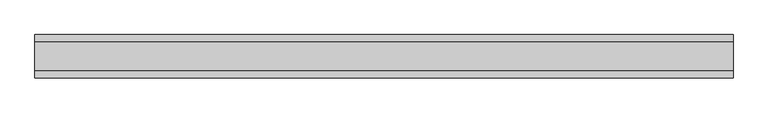
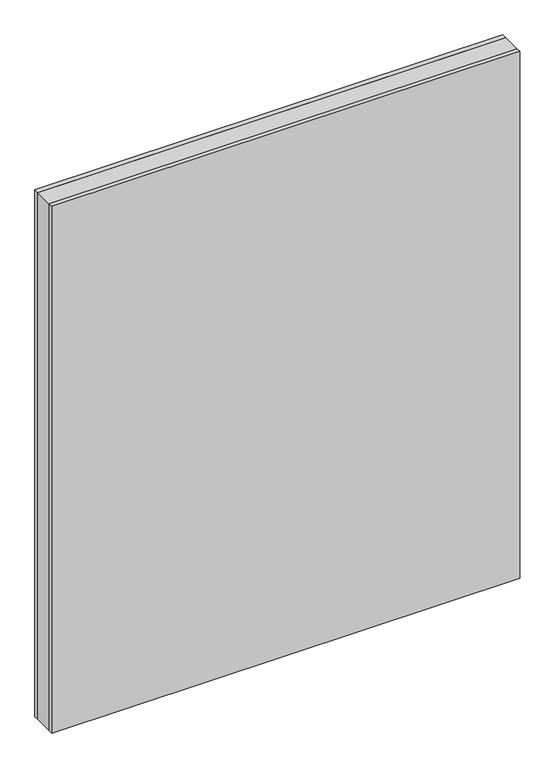
"""IFC4 building model written with IfcOpenShell, lengths in millimetres: plate geometry."""

import ifcopenshell
import ifcopenshell.guid

model = None  # the IFC model being written
_history = None  # IfcOwnerHistory: only IFC2X3 demands one
_inside = {}  # id of a spatial element -> (the spatial element, [elements in it])
_under = {}  # id of a project, library or spatial element -> (it, [spatial elements below it])
_declared = {}  # id of a project -> (the project, [libraries it declares])
_typed = {}  # id of a type object -> (the type object, [elements of that type])
_made_of = {}  # id of a material, layer set ... -> (it, [elements and type objects made of it])


def new_model(schema):
    """Start an empty IFC model of exactly this schema.

    Asked for "IFC4X3", IfcOpenShell would pick the latest addendum, in which some entities
    have other attributes; the version numbers below select the first issue.
    IFC2X3 requires an IfcOwnerHistory on every rooted entity: one is made here for all.
    """
    global model, _history
    if schema == "IFC4X3":
        model = ifcopenshell.file(schema_version=(4, 3, 0, 0))
    else:
        model = ifcopenshell.file(schema=schema)
    _inside.clear()
    _under.clear()
    _declared.clear()
    _typed.clear()
    _made_of.clear()
    _history = None
    if model.schema == "IFC2X3":
        org = make("IfcOrganization", Name="unknown")
        user = make(
            "IfcPersonAndOrganization",
            ThePerson=make("IfcPerson", FamilyName="unknown"),
            TheOrganization=org,
        )
        app = make(
            "IfcApplication",
            ApplicationDeveloper=org,
            Version="unknown",
            ApplicationFullName="unknown",
            ApplicationIdentifier="unknown",
        )
        _history = make(
            "IfcOwnerHistory",
            OwningUser=user,
            OwningApplication=app,
            ChangeAction="ADDED",
            CreationDate=0,
        )
    return model


def make(cls, **values):
    """One entity of the class cls with the attributes given. An attribute that is None is left unset."""
    return model.create_entity(
        cls, **{name: value for name, value in values.items() if value is not None}
    )


def rooted(cls, **values):
    """An entity with a GlobalId (a new one), such as an element, a storey or a relation."""
    return make(cls, GlobalId=ifcopenshell.guid.new(), OwnerHistory=_history, **values)


def si_unit(unit_type, name, prefix=None):
    """IfcSIUnit, for example si_unit("LENGTHUNIT", "METRE", prefix="MILLI")."""
    return make("IfcSIUnit", UnitType=unit_type, Prefix=prefix, Name=name)


def assignment(units):
    """IfcUnitAssignment: the units of a project."""
    return None if units is None else make("IfcUnitAssignment", Units=units)


def point(xyz):
    """IfcCartesianPoint."""
    return None if xyz is None else make("IfcCartesianPoint", Coordinates=xyz)


def direction(xyz):
    """IfcDirection."""
    return None if xyz is None else make("IfcDirection", DirectionRatios=xyz)


def frame(location, z_axis=None, x_axis=None):
    """IfcAxis2Placement3D, a coordinate frame: its origin and axes. An axis left out is left unset."""
    return make(
        "IfcAxis2Placement3D",
        Location=point(location),
        Axis=direction(z_axis),
        RefDirection=direction(x_axis),
    )


def origin():
    """The frame at (0, 0, 0) with its axes left unset."""
    return frame((0.0, 0.0, 0.0))


def origin_with_axes():
    """The frame at (0, 0, 0) with the z axis (0, 0, 1) and the x axis (1, 0, 0) written out."""
    return frame((0.0, 0.0, 0.0), z_axis=(0.0, 0.0, 1.0), x_axis=(1.0, 0.0, 0.0))


def place(relative_to, where):
    """IfcLocalPlacement: puts the frame where relative to a parent placement (None: the world)."""
    return make(
        "IfcLocalPlacement", PlacementRelTo=relative_to, RelativePlacement=where
    )


def context(
    kind, dimensions, precision=None, world=None, true_north=None, identifier=None
):
    """IfcGeometricRepresentationContext, for example the 3D "Model" context."""
    return make(
        "IfcGeometricRepresentationContext",
        ContextIdentifier=identifier,
        ContextType=kind,
        CoordinateSpaceDimension=dimensions,
        Precision=precision,
        WorldCoordinateSystem=world,
        TrueNorth=true_north,
    )


def project(units=None, contexts=None):
    """IfcProject with its units and contexts."""
    return rooted(
        "IfcProject",
        Name="project",
        RepresentationContexts=contexts,
        UnitsInContext=assignment(units),
    )


def spatial(cls, under=None, at=None, **own):
    """A site, building, storey or space (cls), placed at a placement, below another one or the project."""
    s = rooted(cls, ObjectPlacement=at, **own)
    if under is not None:
        _under.setdefault(under.id(), (under, []))[1].append(s)
    return s


def polyline(points):
    """IfcPolyline through the points."""
    return make("IfcPolyline", Points=[point(p) for p in points])


def outline(outer, holes=None, kind="AREA"):
    """IfcArbitraryClosedProfileDef: a profile drawn as a closed curve; with holes, ...WithVoids."""
    if holes is None:
        return make("IfcArbitraryClosedProfileDef", ProfileType=kind, OuterCurve=outer)
    return make(
        "IfcArbitraryProfileDefWithVoids",
        ProfileType=kind,
        OuterCurve=outer,
        InnerCurves=holes,
    )


def extrude(swept, where, along, depth):
    """IfcExtrudedAreaSolid: the profile swept, set in the frame where, extruded along a direction by depth."""
    return make(
        "IfcExtrudedAreaSolid",
        SweptArea=swept,
        Position=where,
        ExtrudedDirection=direction(along),
        Depth=depth,
    )


def shape(context_of_items, identifier, shape_type, items):
    """IfcShapeRepresentation: the items that make up one representation, for example the "Body"."""
    return make(
        "IfcShapeRepresentation",
        ContextOfItems=context_of_items,
        RepresentationIdentifier=identifier,
        RepresentationType=shape_type,
        Items=items,
    )


def source(mapping_origin, context_of_items, identifier, shape_type, items):
    """IfcRepresentationMap: a shape defined once, which mapped items show again and again."""
    return make(
        "IfcRepresentationMap",
        MappingOrigin=mapping_origin,
        MappedRepresentation=shape(context_of_items, identifier, shape_type, items),
    )


def transform(
    local_origin,
    x_axis=None,
    y_axis=None,
    z_axis=None,
    scale=None,
    scale2=None,
    scale3=None,
    uniform=True,
):
    """IfcCartesianTransformationOperator3D, or its non-uniform kind. x_axis, y_axis, z_axis: its Axis1, 2, 3."""
    if uniform:
        return make(
            "IfcCartesianTransformationOperator3D",
            Axis1=direction(x_axis),
            Axis2=direction(y_axis),
            LocalOrigin=point(local_origin),
            Scale=scale,
            Axis3=direction(z_axis),
        )
    return make(
        "IfcCartesianTransformationOperator3DnonUniform",
        Axis1=direction(x_axis),
        Axis2=direction(y_axis),
        LocalOrigin=point(local_origin),
        Scale=scale,
        Axis3=direction(z_axis),
        Scale2=scale2,
        Scale3=scale3,
    )


def mapped(mapping_source, mapping_target):
    """IfcMappedItem: shows the shape of a source again, moved by a transform."""
    return make(
        "IfcMappedItem", MappingSource=mapping_source, MappingTarget=mapping_target
    )


def made_of(thing, what):
    """Note that an element or type object is made of a material, layer set ...; save() writes the relation."""
    if what is not None:
        _made_of.setdefault(what.id(), (what, []))[1].append(thing)
    return thing


def element(
    cls,
    number,
    at=None,
    inside=None,
    cuts=None,
    type_object=None,
    material=None,
    context=None,
    identifier="Body",
    shape_type=None,
    held_by="IfcProductDefinitionShape",
    body=None,
    shapes=None,
    **own,
):
    """One element of the class cls, such as IfcWall. Its Tag is "e" and its number.

    at: its placement. inside: the storey or other place that contains it. cuts: it is an
    opening in that element (IfcRelVoidsElement). A single representation is given by context,
    identifier, shape_type and body (its items); several are given by shapes. held_by: the class
    of the entity that holds the representations. save() writes the other relations.
    """
    e = rooted(cls, Tag="e%d" % number, ObjectPlacement=at, **own)
    if body is not None:
        shapes = [shape(context, identifier, shape_type, body)]
    if shapes is not None:
        e.Representation = make(held_by, Representations=shapes)
    if inside is not None:
        _inside.setdefault(inside.id(), (inside, []))[1].append(e)
    if cuts is not None:
        rooted(
            "IfcRelVoidsElement", RelatingBuildingElement=cuts, RelatedOpeningElement=e
        )
    if type_object is not None:
        _typed.setdefault(type_object.id(), (type_object, []))[1].append(e)
    return made_of(e, material)


def aggregate(whole, parts):
    """IfcRelAggregates: a whole, such as a stair, and the parts it consists of."""
    return rooted("IfcRelAggregates", RelatingObject=whole, RelatedObjects=parts)


def save(model, path):
    """Write the relations noted so far, then the file.

    IfcRelAggregates (storeys below a building ...), IfcRelContainedInSpatialStructure (elements
    in a storey), IfcRelDefinesByType, IfcRelAssociatesMaterial and IfcRelDeclares: one each for
    every whole, place, type object, material and project.
    """
    for whole, parts in _under.values():
        aggregate(whole, parts)
    for where, things in _inside.values():
        rooted(
            "IfcRelContainedInSpatialStructure",
            RelatedElements=things,
            RelatingStructure=where,
        )
    for kind, things in _typed.values():
        rooted("IfcRelDefinesByType", RelatedObjects=things, RelatingType=kind)
    for what, things in _made_of.values():
        rooted("IfcRelAssociatesMaterial", RelatedObjects=things, RelatingMaterial=what)
    for by, libraries in _declared.values():
        rooted("IfcRelDeclares", RelatingContext=by, RelatedDefinitions=libraries)
    model.write(path)


def plate_5aba0ece(model_context):
    return source(origin(), model_context, "Body", "SweptSolid", [
        extrude(outline(polyline([(602.1875001, 24.2), (602.1875001, -24.2), (-602.1875001, -24.2), (-602.1875001, 24.2), (602.1875001, 24.2)])), origin_with_axes(), (0.0, 0.0, 1.0), 1432.75),
        extrude(outline(polyline([(602.1875001, 37.2), (602.1875001, 24.2), (-602.1875001, 24.2), (-602.1875001, 37.2), (602.1875001, 37.2)])), origin_with_axes(), (0.0, 0.0, 1.0), 1432.75),
        extrude(outline(polyline([(-602.1875001, -37.2), (-602.1875001, -24.2), (602.1875001, -24.2), (602.1875001, -37.2), (-602.1875001, -37.2)])), origin_with_axes(), (0.0, 0.0, 1.0), 1432.75),
    ])


if __name__ == "__main__":
    model = new_model("IFC4")
    model_context = context("Model", 3, world=origin())
    ifc_project = project(units=[si_unit("LENGTHUNIT", "METRE", prefix="MILLI")], contexts=[model_context])
    site = spatial("IfcSite", under=ifc_project)
    building = spatial("IfcBuilding", under=site)
    placement = place(None, origin())
    plate_shape = plate_5aba0ece(model_context)
    element("IfcPlate", 1, at=placement, inside=building, context=model_context, shape_type="MappedRepresentation", body=[
        mapped(plate_shape, transform((0.0, 0.0, 0.0), x_axis=(1.0, 0.0, 0.0), y_axis=(0.0, 1.0, 0.0), z_axis=(0.0, 0.0, 1.0))),
    ])
    save(model, "model.ifc")
